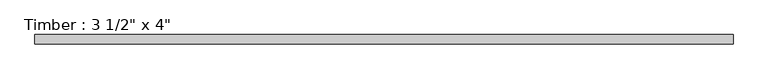
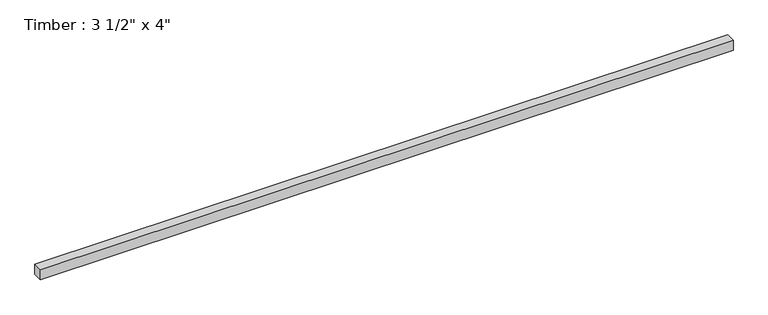
"""IFC4 building model written with IfcOpenShell, lengths in millimetres: beam geometry."""

from ifc_helpers import new_model, si_unit, frame, origin, place, context, project, spatial, polyline, outline, extrude, source, transform, mapped, element, save


def beam_461d73f8(model_context):
    return source(origin(), model_context, "Body", "SweptSolid", [
        extrude(outline(polyline([(3278.2539896, -44.45), (-3278.2539896, -44.45), (-3278.2539896, 44.45), (3278.2539896, 44.45), (3278.2539896, -44.45)])), frame((0.0, 0.0, -50.8), z_axis=(0.0, 0.0, 1.0), x_axis=(1.0, 0.0, 0.0)), (0.0, 0.0, 1.0), 101.6),
    ])


if __name__ == "__main__":
    model = new_model("IFC4")
    model_context = context("Model", 3, world=origin())
    ifc_project = project(units=[si_unit("LENGTHUNIT", "METRE", prefix="MILLI")], contexts=[model_context])
    site = spatial("IfcSite", under=ifc_project)
    building = spatial("IfcBuilding", under=site)
    placement = place(None, origin())
    beam_shape = beam_461d73f8(model_context)
    element("IfcBeam", 1, ObjectType="Timber : 3 1/2\" x 4\"", at=placement, inside=building, context=model_context, shape_type="MappedRepresentation", body=[
        mapped(beam_shape, transform((0.0, 0.0, 0.0), x_axis=(1.0, 0.0, 0.0), y_axis=(0.0, 1.0, 0.0), z_axis=(0.0, 0.0, 1.0))),
    ])
    save(model, "model.ifc")
